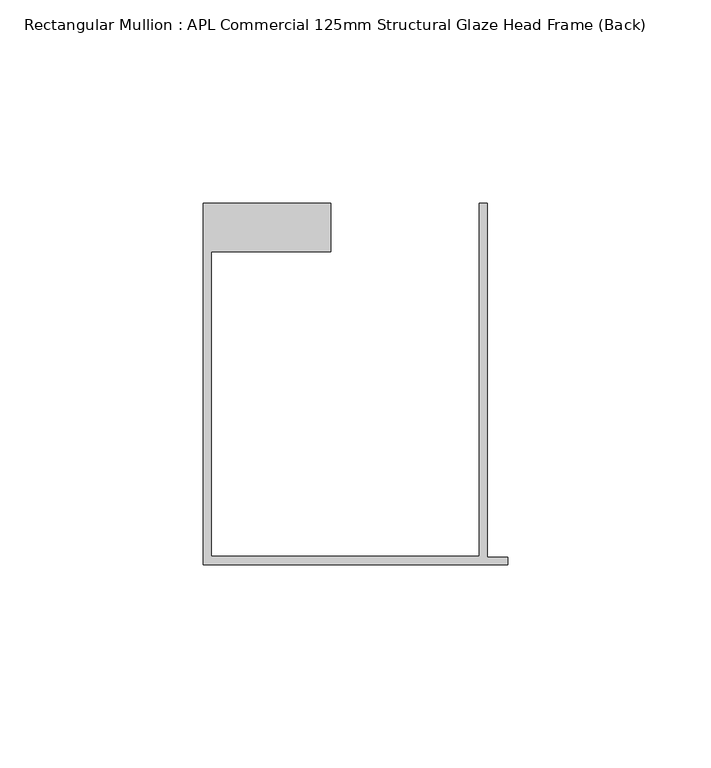
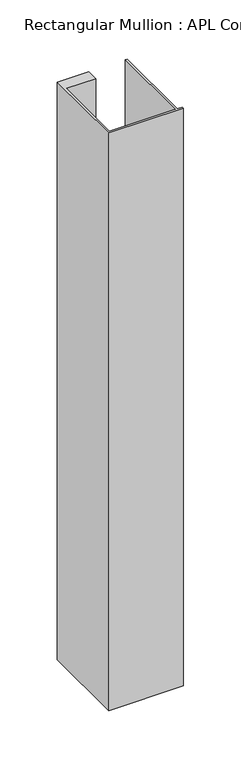
"""IFC4 building model written with IfcOpenShell, lengths in millimetres: member geometry, Rectangular Mullion : APL Commercial 125mm Structural Glaze Head Frame (Back)."""

from ifc_helpers import new_model, si_unit, frame, origin, place, context, project, spatial, polyline, outline, extrude, source, transform, mapped, element, save


def rectangular_mullion_apl_commercial_125mm_structural_glaze_8d056e19(model_context):
    return source(origin(), model_context, "Body", "SweptSolid", [
        extrude(outline(polyline([(-75.0, -103.9993063), (-75.0, -14.9998342), (-43.5000151, -14.9998342), (-43.5000151, -26.9997514), (-73.0, -26.9997514), (-73.0, -101.9993063), (-7.0, -101.9993063), (-7.0, -14.9998342), (-5.0, -14.9998342), (-5.0, -102.1993063), (0.0, -102.1993063), (0.0, -103.9993063), (-75.0, -103.9993063)])), frame((0.0, 0.0, -613.5139257), z_axis=(0.0, 0.0, 1.0), x_axis=(1.0, 0.0, 0.0)), (0.0, 0.0, 1.0), 613.5139257),
    ])


if __name__ == "__main__":
    model = new_model("IFC4")
    model_context = context("Model", 3, world=origin())
    ifc_project = project(units=[si_unit("LENGTHUNIT", "METRE", prefix="MILLI")], contexts=[model_context])
    site = spatial("IfcSite", under=ifc_project)
    building = spatial("IfcBuilding", under=site)
    placement = place(None, origin())
    rectangular_mullion_apl_commercial_125mm_structural_glaze_shape = rectangular_mullion_apl_commercial_125mm_structural_glaze_8d056e19(model_context)
    element("IfcMember", 1, ObjectType="Rectangular Mullion : APL Commercial 125mm Structural Glaze Head Frame (Back)", at=placement, inside=building, context=model_context, shape_type="MappedRepresentation", body=[
        mapped(rectangular_mullion_apl_commercial_125mm_structural_glaze_shape, transform((0.0, 0.0, 0.0), x_axis=(1.0, 0.0, 0.0), y_axis=(0.0, 1.0, 0.0), z_axis=(0.0, 0.0, 1.0))),
    ])
    save(model, "model.ifc")
